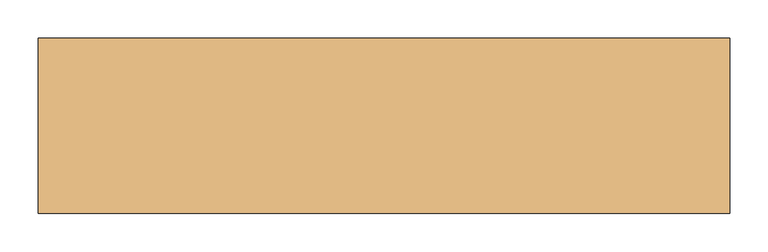
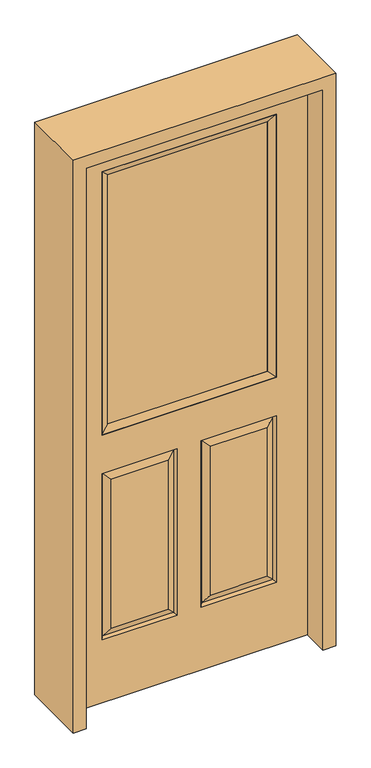
"""IFC4 building model written with IfcOpenShell, lengths in millimetres: door geometry."""

from ifc_helpers import new_model, si_unit, frame, origin, place, context, project, spatial, polyline, outline, extrude, faceted_brep, source, transform, mapped, element, save


def door_7f0d5528(model_context):
    return source(origin(), model_context, "Body", "SolidModel", [
        faceted_brep([(-406.4, -22.225, 0.0), (406.4, -22.225, 0.0), (406.4, -22.225, 2032.0), (-406.4, -22.225, 2032.0), (-299.339, -22.225, 971.55), (-299.339, -22.225, 1925.574), (299.339, -22.225, 1925.574), (299.339, -22.225, 971.55), (-299.339, -22.225, 831.85), (-41.275, -22.225, 831.85), (-41.275, -22.225, 228.6), (-299.339, -22.225, 228.6), (41.275, -22.225, 831.85), (299.339, -22.225, 831.85), (299.339, -22.225, 228.6), (41.275, -22.225, 228.6), (-73.025, -22.225, 800.1), (-267.589, -22.225, 800.1), (-267.589, -22.225, 260.35), (-73.025, -22.225, 260.35), (267.589, -22.225, 800.1), (73.025, -22.225, 800.1), (73.025, -22.225, 260.35), (267.589, -22.225, 260.35), (-406.4, 22.225, 0.0), (406.4, 22.225, 0.0), (406.4, 22.225, 2032.0), (-406.4, 22.225, 2032.0), (-299.339, 22.225, 971.55), (-299.339, 22.225, 1925.574), (299.339, 22.225, 1925.574), (299.339, 22.225, 971.55), (-41.275, 22.225, 831.85), (-299.339, 22.225, 831.85), (-299.339, 22.225, 228.6), (-41.275, 22.225, 228.6), (299.339, 22.225, 831.85), (41.275, 22.225, 831.85), (41.275, 22.225, 228.6), (299.339, 22.225, 228.6), (-267.589, 22.225, 800.1), (-73.025, 22.225, 800.1), (-73.025, 22.225, 260.35), (-267.589, 22.225, 260.35), (73.025, 22.225, 800.1), (267.589, 22.225, 800.1), (267.589, 22.225, 260.35), (73.025, 22.225, 260.35), (-48.41875, -12.7449236, 824.70625), (-292.19525, -12.7449236, 824.70625), (-292.19525, -12.7449236, 235.74375), (-48.41875, -12.7449236, 235.74375), (292.19525, -12.7449236, 824.70625), (48.41875, -12.7449236, 824.70625), (48.41875, -12.7449236, 235.74375), (292.19525, -12.7449236, 235.74375), (-292.19525, 12.7449236, 824.70625), (-48.41875, 12.7449236, 824.70625), (-48.41875, 12.7449236, 235.74375), (-292.19525, 12.7449236, 235.74375), (48.41875, 12.7449236, 824.70625), (292.19525, 12.7449236, 824.70625), (292.19525, 12.7449236, 235.74375), (48.41875, 12.7449236, 235.74375)], [[[0, 1, 2, 3], [4, 5, 6, 7], [8, 9, 10, 11], [12, 13, 14, 15]], [[16, 17, 18, 19]], [[20, 21, 22, 23]], [[1, 0, 24, 25]], [[2, 1, 25, 26]], [[0, 3, 27, 24]], [[5, 4, 28, 29]], [[7, 6, 30, 31]], [[4, 7, 31, 28]], [[24, 27, 26, 25], [28, 31, 30, 29], [32, 33, 34, 35], [36, 37, 38, 39]], [[40, 41, 42, 43]], [[44, 45, 46, 47]], [[3, 2, 26, 27]], [[6, 5, 29, 30]], [[16, 48, 49, 17]], [[17, 49, 50, 18]], [[51, 19, 18, 50]], [[48, 16, 19, 51]], [[49, 48, 9, 8]], [[9, 48, 51, 10]], [[10, 51, 50, 11]], [[49, 8, 11, 50]], [[52, 53, 21, 20]], [[21, 53, 54, 22]], [[22, 54, 55, 23]], [[52, 20, 23, 55]], [[53, 52, 13, 12]], [[13, 52, 55, 14]], [[54, 15, 14, 55]], [[53, 12, 15, 54]], [[56, 57, 41, 40]], [[41, 57, 58, 42]], [[42, 58, 59, 43]], [[56, 40, 43, 59]], [[57, 56, 33, 32]], [[33, 56, 59, 34]], [[58, 35, 34, 59]], [[57, 32, 35, 58]], [[44, 60, 61, 45]], [[45, 61, 62, 46]], [[63, 47, 46, 62]], [[60, 44, 47, 63]], [[61, 60, 37, 36]], [[37, 60, 63, 38]], [[38, 63, 62, 39]], [[61, 36, 39, 62]]]),
        extrude(outline(polyline([(273.939, -12.7), (-273.939, -12.7), (-273.939, 12.7), (273.939, 12.7), (273.939, -12.7)])), frame((0.0, 0.0, 996.95), z_axis=(0.0, 0.0, 1.0), x_axis=(1.0, 0.0, 0.0)), (0.0, 0.0, 1.0), 903.224),
        faceted_brep([(-299.339, -22.225, 1925.574), (-299.339, 22.225, 1925.574), (-299.339, 22.225, 971.55), (-299.339, -22.225, 971.55), (299.339, 22.225, 971.55), (299.339, -22.225, 971.55), (-273.939, 12.7, 996.95), (273.939, 12.7, 996.95), (299.339, 22.225, 1925.574), (299.339, -22.225, 1925.574), (-273.939, -12.7, 996.95), (273.939, -12.7, 996.95), (-273.939, -12.7, 1900.174), (273.939, -12.7, 1900.174), (-273.939, 12.7, 1900.174), (273.939, 12.7, 1900.174)], [[[0, 1, 2, 3]], [[3, 2, 4, 5]], [[2, 6, 7, 4]], [[5, 4, 8, 9]], [[10, 3, 5, 11]], [[12, 0, 3, 10]], [[11, 5, 9, 13]], [[6, 10, 11, 7]], [[14, 12, 10, 6]], [[7, 11, 13, 15]], [[1, 14, 6, 2]], [[4, 7, 15, 8]], [[9, 8, 1, 0]], [[13, 9, 0, 12]], [[15, 13, 12, 14]], [[8, 15, 14, 1]]]),
        extrude(outline(polyline([(0.0, -450.85), (0.0, -406.4), (2032.0, -406.4), (2032.0, 406.4), (0.0, 406.4), (0.0, 450.85), (2076.45, 450.85), (2076.45, -450.85), (0.0, -450.85)])), frame((0.0, -114.3, 0.0), z_axis=(0.0, 1.0, 0.0), x_axis=(0.0, 0.0, 1.0)), (0.0, 0.0, 1.0), 228.6),
    ])


if __name__ == "__main__":
    model = new_model("IFC4")
    model_context = context("Model", 3, world=origin())
    ifc_project = project(units=[si_unit("LENGTHUNIT", "METRE", prefix="MILLI")], contexts=[model_context])
    site = spatial("IfcSite", under=ifc_project)
    building = spatial("IfcBuilding", under=site)
    placement = place(None, origin())
    door_shape = door_7f0d5528(model_context)
    element("IfcDoor", 1, at=placement, inside=building, context=model_context, shape_type="MappedRepresentation", body=[
        mapped(door_shape, transform((0.0, 0.0, 0.0), x_axis=(1.0, 0.0, 0.0), y_axis=(0.0, 1.0, 0.0), z_axis=(0.0, 0.0, 1.0))),
    ])
    save(model, "model.ifc")
